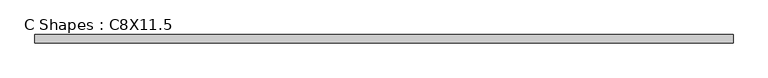
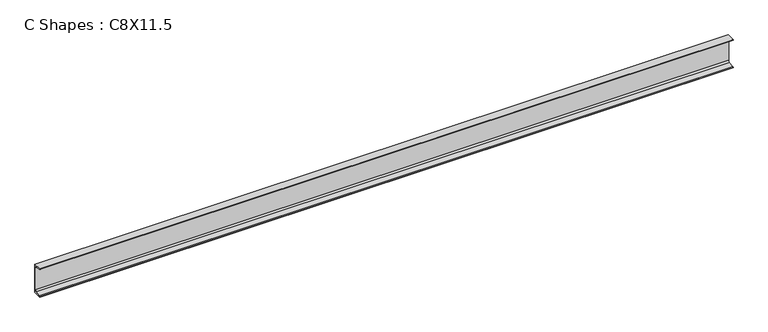
"""IFC4 building model written with IfcOpenShell, lengths in millimetres: beam geometry, C Shapes : C8X11.5."""

from ifc_helpers import new_model, si_unit, point, frame, frame_2d, origin, place, context, project, spatial, polyline, circle_curve, trimmed, segment, composite_curve, outline, extrude, source, transform, mapped, element, save


def c_shapes_c8x11_5_3d849720(model_context):
    return source(origin(), model_context, "Body", "SweptSolid", [
        extrude(outline(composite_curve([segment(polyline([(14.5288, 101.6), (14.5288, -101.6), (-42.8752, -101.6), (-42.8752, -100.2069137)]), True, "CONTINUOUS"), segment(trimmed(circle_curve(frame_2d((-37.9222, -100.2069137)), 4.953), [point((-42.8752, -100.2069137))], [point((-38.7362702, -95.3212716))], False, "CARTESIAN"), True, "CONTINUOUS"), segment(polyline([(-38.7362702, -95.3212716), (0.6629403, -88.7563777)]), True, "CONTINUOUS"), segment(trimmed(circle_curve(frame_2d((-0.9652, -78.9850935)), 9.906), [point((0.6629403, -88.7563777))], [point((8.9408, -78.9850935))], True, "CARTESIAN"), True, "CONTINUOUS"), segment(polyline([(8.9408, -78.9850935), (8.9408, 78.9850935)]), True, "CONTINUOUS"), segment(trimmed(circle_curve(frame_2d((-0.9652, 78.9850935)), 9.906), [point((8.9408, 78.9850935))], [point((0.6629403, 88.7563777))], True, "CARTESIAN"), True, "CONTINUOUS"), segment(polyline([(0.6629403, 88.7563777), (-38.7362702, 95.3212716)]), True, "CONTINUOUS"), segment(trimmed(circle_curve(frame_2d((-37.9222, 100.2069137)), 4.953), [point((-38.7362702, 95.3212716))], [point((-42.8752, 100.2069137))], False, "CARTESIAN"), True, "CONTINUOUS"), segment(polyline([(-42.8752, 100.2069137), (-42.8752, 101.6), (14.5288, 101.6)]), True, "CONTINUOUS")], self_intersect=False)), frame((-2361.438, 0.0, 0.0), z_axis=(1.0, 0.0, 0.0), x_axis=(0.0, 1.0, 0.0)), (0.0, 0.0, 1.0), 4722.876),
    ])


if __name__ == "__main__":
    model = new_model("IFC4")
    model_context = context("Model", 3, world=origin())
    ifc_project = project(units=[si_unit("LENGTHUNIT", "METRE", prefix="MILLI")], contexts=[model_context])
    site = spatial("IfcSite", under=ifc_project)
    building = spatial("IfcBuilding", under=site)
    placement = place(None, origin())
    c_shapes_c8x11_5_shape = c_shapes_c8x11_5_3d849720(model_context)
    element("IfcBeam", 1, ObjectType="C Shapes : C8X11.5", at=placement, inside=building, context=model_context, shape_type="MappedRepresentation", body=[
        mapped(c_shapes_c8x11_5_shape, transform((0.0, 0.0, 0.0), x_axis=(1.0, 0.0, 0.0), y_axis=(0.0, 1.0, 0.0), z_axis=(0.0, 0.0, 1.0))),
    ])
    save(model, "model.ifc")
